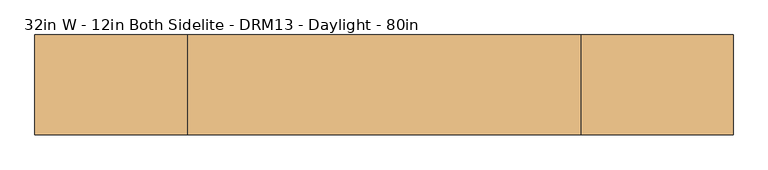
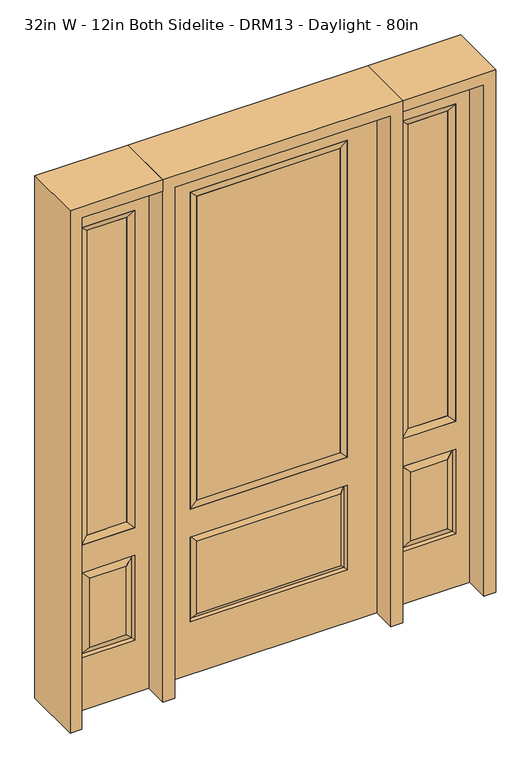
"""IFC4 building model written with IfcOpenShell, lengths in millimetres: door geometry, 32in W - 12in Both Sidelite - DRM13 - Daylight - 80in."""

from ifc_helpers import new_model, si_unit, frame, origin, place, context, project, spatial, polyline, outline, extrude, faceted_brep, source, transform, mapped, element, save


def door_32in_w_12in_both_sidelite_drm13_daylight_80in_2be512b7(model_context):
    return source(origin(), model_context, "Body", "SolidModel", [
        faceted_brep([(450.85, -22.225, 0.0), (755.65, -22.225, 0.0), (755.65, -22.225, 2032.0), (450.85, -22.225, 2032.0), (703.58, -22.225, 1919.224), (703.58, -22.225, 657.098), (502.92, -22.225, 657.098), (502.92, -22.225, 1919.224), (703.58, -22.225, 209.55), (502.92, -22.225, 209.55), (502.92, -22.225, 546.1), (703.58, -22.225, 546.1), (534.6351001, -22.225, 241.2651001), (671.8648999, -22.225, 241.2651001), (671.8648999, -22.225, 514.3848999), (534.6351001, -22.225, 514.3848999), (450.85, 22.225, 0.0), (450.85, 22.225, 2032.0), (755.65, 22.225, 2032.0), (755.65, 22.225, 0.0), (703.58, 22.225, 1919.224), (502.92, 22.225, 1919.224), (502.92, 22.225, 657.098), (703.58, 22.225, 657.098), (502.92, 22.225, 209.55), (703.58, 22.225, 209.55), (703.58, 22.225, 546.1), (502.92, 22.225, 546.1), (671.8648999, 22.225, 241.2651001), (534.6351001, 22.225, 241.2651001), (534.6351001, 22.225, 514.3848999), (671.8648999, 22.225, 514.3848999), (696.4711499, 12.7912373, 216.6588501), (510.0288501, 12.7912373, 216.6588501), (510.0288501, 12.7912373, 538.9911499), (696.4711499, 12.7912373, 538.9911499), (510.0288501, -12.7912373, 216.6588501), (696.4711499, -12.7912373, 216.6588501), (510.0288501, -12.7912373, 538.9911499), (696.4711499, -12.7912373, 538.9911499)], [[[0, 1, 2, 3], [4, 5, 6, 7], [8, 9, 10, 11]], [[12, 13, 14, 15]], [[16, 17, 18, 19], [20, 21, 22, 23], [24, 25, 26, 27]], [[28, 29, 30, 31]], [[1, 0, 16, 19]], [[2, 1, 19, 18]], [[3, 2, 18, 17]], [[0, 3, 17, 16]], [[5, 4, 20, 23]], [[6, 5, 23, 22]], [[7, 6, 22, 21]], [[4, 7, 21, 20]], [[32, 33, 29, 28]], [[33, 32, 25, 24]], [[29, 33, 34, 30]], [[33, 24, 27, 34]], [[30, 34, 35, 31]], [[34, 27, 26, 35]], [[32, 28, 31, 35]], [[25, 32, 35, 26]], [[12, 36, 37, 13]], [[37, 36, 9, 8]], [[36, 12, 15, 38]], [[9, 36, 38, 10]], [[38, 15, 14, 39]], [[10, 38, 39, 11]], [[13, 37, 39, 14]], [[37, 8, 11, 39]]]),
        faceted_brep([(502.92, 22.225, 1919.224), (502.92, -22.225, 1919.224), (703.58, -22.225, 1919.224), (703.58, 22.225, 1919.224), (528.32, 12.7, 1893.824), (678.18, 12.7, 1893.824), (528.32, -12.7, 1893.824), (678.18, -12.7, 1893.824), (703.58, -22.225, 657.098), (703.58, 22.225, 657.098), (678.18, 12.7, 682.498), (678.18, -12.7, 682.498), (502.92, -22.225, 657.098), (502.92, 22.225, 657.098), (528.32, 12.7, 682.498), (528.32, -12.7, 682.498)], [[[0, 1, 2, 3]], [[4, 0, 3, 5]], [[6, 4, 5, 7]], [[1, 6, 7, 2]], [[3, 2, 8, 9]], [[5, 3, 9, 10]], [[7, 5, 10, 11]], [[2, 7, 11, 8]], [[9, 8, 12, 13]], [[10, 9, 13, 14]], [[11, 10, 14, 15]], [[8, 11, 15, 12]], [[13, 12, 1, 0]], [[14, 13, 0, 4]], [[15, 14, 4, 6]], [[12, 15, 6, 1]]]),
        extrude(outline(polyline([(678.18, -12.7), (528.32, -12.7), (528.32, 12.7), (678.18, 12.7), (678.18, -12.7)])), frame((0.0, 0.0, 682.498), z_axis=(0.0, 0.0, 1.0), x_axis=(1.0, 0.0, 0.0)), (0.0, 0.0, 1.0), 1211.326),
        faceted_brep([(-755.65, -22.225, 0.0), (-450.85, -22.225, 0.0), (-450.85, -22.225, 2032.0), (-755.65, -22.225, 2032.0), (-502.92, -22.225, 1919.224), (-502.92, -22.225, 657.098), (-703.58, -22.225, 657.098), (-703.58, -22.225, 1919.224), (-502.92, -22.225, 209.55), (-703.58, -22.225, 209.55), (-703.58, -22.225, 546.1), (-502.92, -22.225, 546.1), (-671.8648999, -22.225, 241.2651001), (-534.6351001, -22.225, 241.2651001), (-534.6351001, -22.225, 514.3848999), (-671.8648999, -22.225, 514.3848999), (-755.65, 22.225, 0.0), (-755.65, 22.225, 2032.0), (-450.85, 22.225, 2032.0), (-450.85, 22.225, 0.0), (-502.92, 22.225, 1919.224), (-703.58, 22.225, 1919.224), (-703.58, 22.225, 657.098), (-502.92, 22.225, 657.098), (-703.58, 22.225, 209.55), (-502.92, 22.225, 209.55), (-502.92, 22.225, 546.1), (-703.58, 22.225, 546.1), (-534.6351001, 22.225, 241.2651001), (-671.8648999, 22.225, 241.2651001), (-671.8648999, 22.225, 514.3848999), (-534.6351001, 22.225, 514.3848999), (-510.0288501, 12.7912373, 216.6588501), (-696.4711499, 12.7912373, 216.6588501), (-696.4711499, 12.7912373, 538.9911499), (-510.0288501, 12.7912373, 538.9911499), (-696.4711499, -12.7912373, 216.6588501), (-510.0288501, -12.7912373, 216.6588501), (-696.4711499, -12.7912373, 538.9911499), (-510.0288501, -12.7912373, 538.9911499)], [[[0, 1, 2, 3], [4, 5, 6, 7], [8, 9, 10, 11]], [[12, 13, 14, 15]], [[16, 17, 18, 19], [20, 21, 22, 23], [24, 25, 26, 27]], [[28, 29, 30, 31]], [[1, 0, 16, 19]], [[2, 1, 19, 18]], [[3, 2, 18, 17]], [[0, 3, 17, 16]], [[5, 4, 20, 23]], [[6, 5, 23, 22]], [[7, 6, 22, 21]], [[4, 7, 21, 20]], [[32, 33, 29, 28]], [[33, 32, 25, 24]], [[29, 33, 34, 30]], [[33, 24, 27, 34]], [[30, 34, 35, 31]], [[34, 27, 26, 35]], [[32, 28, 31, 35]], [[25, 32, 35, 26]], [[12, 36, 37, 13]], [[37, 36, 9, 8]], [[36, 12, 15, 38]], [[9, 36, 38, 10]], [[38, 15, 14, 39]], [[10, 38, 39, 11]], [[13, 37, 39, 14]], [[37, 8, 11, 39]]]),
        faceted_brep([(-703.58, 22.225, 1919.224), (-703.58, -22.225, 1919.224), (-502.92, -22.225, 1919.224), (-502.92, 22.225, 1919.224), (-678.18, 12.7, 1893.824), (-528.32, 12.7, 1893.824), (-678.18, -12.7, 1893.824), (-528.32, -12.7, 1893.824), (-502.92, -22.225, 657.098), (-502.92, 22.225, 657.098), (-528.32, 12.7, 682.498), (-528.32, -12.7, 682.498), (-703.58, -22.225, 657.098), (-703.58, 22.225, 657.098), (-678.18, 12.7, 682.498), (-678.18, -12.7, 682.498)], [[[0, 1, 2, 3]], [[4, 0, 3, 5]], [[6, 4, 5, 7]], [[1, 6, 7, 2]], [[3, 2, 8, 9]], [[5, 3, 9, 10]], [[7, 5, 10, 11]], [[2, 7, 11, 8]], [[9, 8, 12, 13]], [[10, 9, 13, 14]], [[11, 10, 14, 15]], [[8, 11, 15, 12]], [[13, 12, 1, 0]], [[14, 13, 0, 4]], [[15, 14, 4, 6]], [[12, 15, 6, 1]]]),
        extrude(outline(polyline([(-528.32, -12.7), (-678.18, -12.7), (-678.18, 12.7), (-528.32, 12.7), (-528.32, -12.7)])), frame((0.0, 0.0, 682.498), z_axis=(0.0, 0.0, 1.0), x_axis=(1.0, 0.0, 0.0)), (0.0, 0.0, 1.0), 1211.326),
        faceted_brep([(-288.1661499, -12.7912373, 216.6588501), (288.1661499, -12.7912373, 216.6588501), (270.66875, -22.225, 234.15625), (-270.66875, -22.225, 234.15625), (-295.275, -22.225, 209.55), (295.275, -22.225, 209.55), (-288.1661499, -12.7912373, 538.9911499), (-295.275, -22.225, 546.1), (270.66875, -22.225, 521.49375), (-270.66875, -22.225, 521.49375), (406.4, -22.225, 2032.0), (-406.4, -22.225, 2032.0), (-406.4, -22.225, 0.0), (406.4, -22.225, 0.0), (295.275, -22.225, 546.1), (295.275, -22.225, 1917.7), (295.275, -22.225, 657.098), (-295.275, -22.225, 657.098), (-295.275, -22.225, 1917.7), (288.1661499, -12.7912373, 538.9911499), (-406.4, 22.225, 2032.0), (-406.4, 22.225, 0.0), (406.4, 22.225, 0.0), (406.4, 22.225, 2032.0), (295.275, 22.225, 1917.7), (295.275, 22.225, 657.098), (-295.275, 22.225, 657.098), (-295.275, 22.225, 1917.7), (-295.275, 22.225, 209.55), (295.275, 22.225, 209.55), (295.275, 22.225, 546.1), (-295.275, 22.225, 546.1), (270.66875, 22.225, 234.15625), (-270.66875, 22.225, 234.15625), (-270.66875, 22.225, 521.49375), (270.66875, 22.225, 521.49375), (-288.1661499, 12.7912373, 216.6588501), (288.1661499, 12.7912373, 216.6588501), (288.1661499, 12.7912373, 538.9911499), (-288.1661499, 12.7912373, 538.9911499)], [[[0, 1, 2, 3]], [[1, 0, 4, 5]], [[4, 0, 6, 7]], [[3, 2, 8, 9]], [[10, 11, 12, 13], [5, 4, 7, 14], [15, 16, 17, 18]], [[1, 5, 14, 19]], [[2, 1, 19, 8]], [[0, 3, 9, 6]], [[7, 6, 19, 14]], [[6, 9, 8, 19]], [[12, 11, 20, 21]], [[13, 12, 21, 22]], [[10, 13, 22, 23]], [[16, 15, 24, 25]], [[17, 16, 25, 26]], [[18, 17, 26, 27]], [[23, 22, 21, 20], [28, 29, 30, 31], [24, 27, 26, 25]], [[32, 33, 34, 35]], [[28, 36, 37, 29]], [[29, 37, 38, 30]], [[39, 31, 30, 38]], [[36, 28, 31, 39]], [[37, 36, 33, 32]], [[33, 36, 39, 34]], [[34, 39, 38, 35]], [[37, 32, 35, 38]], [[11, 10, 23, 20]], [[15, 18, 27, 24]]]),
        faceted_brep([(-295.275, -22.225, 1917.7), (-295.275, 22.225, 1917.7), (-295.275, 22.225, 657.098), (-295.275, -22.225, 657.098), (295.275, 22.225, 657.098), (295.275, -22.225, 657.098), (-269.875, 5.08, 682.498), (269.875, 5.08, 682.498), (295.275, 22.225, 1917.7), (295.275, -22.225, 1917.7), (-269.875, -20.32, 682.498), (269.875, -20.32, 682.498), (-269.875, -20.32, 1892.3), (269.875, -20.32, 1892.3), (-269.875, 5.08, 1892.3), (269.875, 5.08, 1892.3)], [[[0, 1, 2, 3]], [[3, 2, 4, 5]], [[2, 6, 7, 4]], [[5, 4, 8, 9]], [[10, 3, 5, 11]], [[12, 0, 3, 10]], [[11, 5, 9, 13]], [[6, 10, 11, 7]], [[14, 12, 10, 6]], [[7, 11, 13, 15]], [[1, 14, 6, 2]], [[4, 7, 15, 8]], [[9, 8, 1, 0]], [[13, 9, 0, 12]], [[15, 13, 12, 14]], [[8, 15, 14, 1]]]),
        extrude(outline(polyline([(269.875, -20.32), (-269.875, -20.32), (-269.875, 5.08), (269.875, 5.08), (269.875, -20.32)])), frame((0.0, 0.0, 682.498), z_axis=(0.0, 0.0, 1.0), x_axis=(1.0, 0.0, 0.0)), (0.0, 0.0, 1.0), 1209.802),
        extrude(outline(polyline([(2032.0, -450.85), (2076.45, -450.85), (2076.45, -800.1), (0.0, -800.1), (0.0, -755.65), (2032.0, -755.65), (2032.0, -450.85)])), frame((0.0, -114.3, 0.0), z_axis=(0.0, 1.0, 0.0), x_axis=(0.0, 0.0, 1.0)), (0.0, 0.0, 1.0), 228.6),
        extrude(outline(polyline([(2076.45, -450.85), (0.0, -450.85), (0.0, -406.4), (2032.0, -406.4), (2032.0, 406.4), (0.0, 406.4), (0.0, 450.85), (2076.45, 450.85), (2076.45, -450.85)])), frame((0.0, -114.3, 0.0), z_axis=(0.0, 1.0, 0.0), x_axis=(0.0, 0.0, 1.0)), (0.0, 0.0, 1.0), 228.6),
        extrude(outline(polyline([(0.0, 755.65), (0.0, 800.1), (2076.45, 800.1), (2076.45, 450.85), (2032.0, 450.85), (2032.0, 755.65), (0.0, 755.65)])), frame((0.0, -114.3, 0.0), z_axis=(0.0, 1.0, 0.0), x_axis=(0.0, 0.0, 1.0)), (0.0, 0.0, 1.0), 228.6),
    ])


if __name__ == "__main__":
    model = new_model("IFC4")
    model_context = context("Model", 3, world=origin())
    ifc_project = project(units=[si_unit("LENGTHUNIT", "METRE", prefix="MILLI")], contexts=[model_context])
    site = spatial("IfcSite", under=ifc_project)
    building = spatial("IfcBuilding", under=site)
    placement = place(None, origin())
    door_32in_w_12in_both_sidelite_drm13_daylight_80in_shape = door_32in_w_12in_both_sidelite_drm13_daylight_80in_2be512b7(model_context)
    element("IfcDoor", 1, ObjectType="32in W - 12in Both Sidelite - DRM13 - Daylight - 80in", at=placement, inside=building, context=model_context, shape_type="MappedRepresentation", body=[
        mapped(door_32in_w_12in_both_sidelite_drm13_daylight_80in_shape, transform((0.0, 0.0, 0.0), x_axis=(1.0, 0.0, 0.0), y_axis=(0.0, 1.0, 0.0), z_axis=(0.0, 0.0, 1.0))),
    ])
    save(model, "model.ifc")
